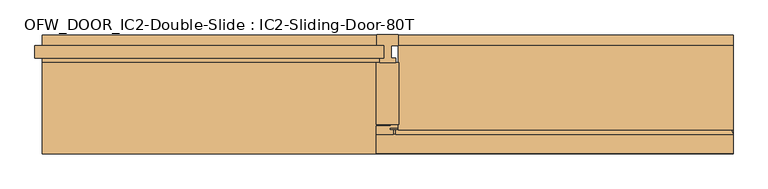
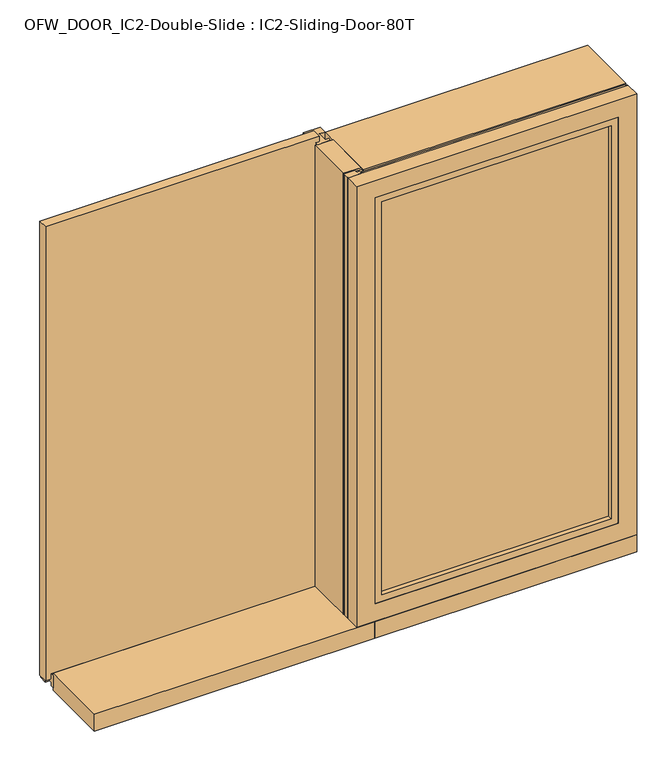
"""IFC4 building model written with IfcOpenShell, lengths in millimetres: door geometry, OFW_DOOR_IC2-Double-Slide : IC2-Sliding-Door-80T."""

from ifc_helpers import new_model, si_unit, point, frame, frame_2d, origin, origin_with_axes, place, context, project, spatial, polyline, circle_curve, trimmed, segment, composite_curve, outline, extrude, faceted_brep, source, transform, mapped, element, save


def ofw_door_ic2_double_slide_ic2_sliding_door_80t_7ecc353d(model_context):
    return source(origin(), model_context, "Body", "SolidModel", [
        faceted_brep([(38.0, 0.0, 2160.0), (13.0, 0.0, 2160.0), (13.0, 0.0, 27.0), (-1210.0, 0.0, 27.0), (-1210.0, 0.0, 2.0), (38.0, 0.0, 2.0), (13.0, -44.0, 2160.0), (13.0, -44.0, 27.0), (-1210.0, -44.0, 27.0), (-1210.0, -44.0, 12.0), (-1210.0, -59.0, 12.0), (-1210.0, -59.0, 68.0), (-1210.0, -44.0, 68.0), (-1210.0, -44.0, 53.0), (-1210.0, 0.0, 53.0), (-1210.0, 0.0, 78.0), (-1210.0, 38.0, 78.0), (-1210.0, 38.0, 2.0), (38.0, 38.0, 2.0), (38.0, 38.0, 2160.0), (-38.0, 38.0, 2160.0), (-38.0, 38.0, 78.0), (-38.0, 0.0, 78.0), (-38.0, 0.0, 2160.0), (-13.0, 0.0, 2160.0), (-13.0, 0.0, 53.0), (-13.0, -44.0, 53.0), (-13.0, -44.0, 2160.0), (-28.0, -44.0, 2160.0), (-28.0, -44.0, 68.0), (-28.0, -59.0, 68.0), (-28.0, -59.0, 2160.0), (28.0, -59.0, 2160.0), (28.0, -59.0, 12.0), (28.0, -44.0, 12.0), (28.0, -44.0, 2160.0)], [[[0, 1, 2, 3, 4, 5]], [[1, 6, 7, 2]], [[2, 7, 8, 3]], [[3, 8, 9, 10, 11, 12, 13, 14, 15, 16, 17, 4]], [[18, 5, 4, 17]], [[19, 0, 5, 18]], [[20, 19, 18, 17, 16, 21]], [[22, 21, 16, 15]], [[23, 20, 21, 22]], [[24, 23, 22, 15, 14, 25]], [[26, 25, 14, 13]], [[27, 24, 25, 26]], [[28, 27, 26, 13, 12, 29]], [[30, 29, 12, 11]], [[31, 28, 29, 30]], [[32, 31, 30, 11, 10, 33]], [[34, 33, 10, 9]], [[35, 32, 33, 34]], [[6, 35, 34, 9, 8, 7]], [[1, 0, 19, 20, 23, 24, 27, 28, 31, 32, 35, 6]]]),
        extrude(outline(polyline([(-13.0, -44.0), (-1235.0, -44.0), (-1235.0, 0.0), (-13.0, 0.0), (-13.0, -44.0)])), frame((0.0, 0.0, 43.0), z_axis=(0.0, 0.0, 1.0), x_axis=(1.0, 0.0, 0.0)), (0.0, 0.0, 1.0), 2142.0),
        extrude(outline(polyline([(40.0, -59.0), (40.0, -277.0), (-40.0, -277.0), (-40.0, -59.0), (40.0, -59.0)])), frame((0.0, 0.0, 80.0), z_axis=(0.0, 0.0, 1.0), x_axis=(1.0, 0.0, 0.0)), (0.0, 0.0, 1.0), 2080.0),
        extrude(outline(polyline([(1111.0, -311.0), (1111.0, -355.0), (59.0, -355.0), (59.0, -311.0), (1111.0, -311.0)])), frame((0.0, 0.0, 193.0), z_axis=(0.0, 0.0, 1.0), x_axis=(1.0, 0.0, 0.0)), (0.0, 0.0, 1.0), 1873.0),
        extrude(outline(polyline([(-294.9999931, 2120.0), (0.0, 2120.0), (0.0, 44.5415691), (-294.9999931, 66.2425671), (-294.9999931, 2120.0)])), frame((1190.0, 0.0, 0.0), z_axis=(1.0, 0.0, 0.0), x_axis=(0.0, 1.0, 0.0)), (0.0, 0.0, 1.0), 20.0),
        extrude(outline(polyline([(-295.0018977, 2120.0), (0.0, 2120.0), (0.0, 44.6613586), (-295.0018977, 65.954372), (-295.0018977, 2120.0)])), frame((40.0, 0.0, 0.0), z_axis=(1.0, 0.0, 0.0), x_axis=(0.0, 1.0, 0.0)), (0.0, 0.0, 1.0), 20.600008),
        extrude(outline(polyline([(1210.0, 0.0), (1210.0, -294.9999931), (38.0, -294.9999931), (38.0, 0.0), (1210.0, 0.0)])), frame((0.0, 0.0, 2120.0), z_axis=(0.0, 0.0, 1.0), x_axis=(1.0, 0.0, 0.0)), (0.0, 0.0, 1.0), 40.0),
        faceted_brep([(73.0, -294.9999931, 85.9356047), (73.0, -311.0, 80.1120784), (73.0, -311.0, 193.8827413), (73.0, -294.9999931, 188.0592151), (1209.8879216, -311.0, 80.1120784), (1204.0643953, -294.9999931, 85.9356047), (1204.0643953, -294.9999931, 2154.0643953), (1209.8879216, -311.0, 2159.8879216), (1101.9407849, -294.9999931, 188.0592151), (1096.1172587, -311.0, 193.8827413), (1096.1172587, -311.0, 2046.1172587), (1101.9407849, -294.9999931, 2051.9407849), (28.0, -294.9999931, 2154.0643953), (28.0, -294.9999931, 2051.9407849), (28.0, -311.0, 2046.1172587), (28.0, -311.0, 2159.8879216)], [[[0, 1, 2, 3]], [[4, 5, 6, 7]], [[8, 9, 10, 11]], [[12, 13, 14, 15]], [[7, 6, 12, 15]], [[11, 10, 14, 13]], [[1, 0, 5, 4]], [[2, 1, 4, 7, 15, 14, 10, 9]], [[3, 2, 9, 8]], [[0, 3, 8, 11, 13, 12, 6, 5]]]),
        extrude(outline(polyline([(19.9995212, -311.0), (19.9995212, -294.9999931), (73.0, -294.9999931), (73.0, -311.0), (19.9995212, -311.0)])), frame((0.0, 0.0, 47.0), z_axis=(0.0, 0.0, 1.0), x_axis=(1.0, 0.0, 0.0)), (0.0, 0.0, 1.0), 2004.9407849),
        extrude(outline(composite_curve([segment(polyline([(11.0, -281.0), (11.0, -277.0), (40.0, -277.0), (40.0, -286.3250393)]), True, "CONTINUOUS"), segment(trimmed(circle_curve(frame_2d((36.825, -286.3250393)), 3.175), [point((40.0, -286.3250393))], [point((36.825, -289.5000393))], False, "CARTESIAN"), True, "CONTINUOUS"), segment(polyline([(36.825, -289.5000393), (8.4992, -289.5000393), (8.4992, -295.0018977), (19.9995212, -295.0018977), (19.9995212, -311.0), (-36.825, -311.0)]), True, "CONTINUOUS"), segment(trimmed(circle_curve(frame_2d((-36.825, -307.825)), 3.175), [point((-36.825, -311.0))], [point((-40.0, -307.825))], False, "CARTESIAN"), True, "CONTINUOUS"), segment(polyline([(-40.0, -307.825), (-40.0, -284.175)]), True, "CONTINUOUS"), segment(trimmed(circle_curve(frame_2d((-36.825, -284.175)), 3.175), [point((-40.0, -284.175))], [point((-36.825, -281.0))], False, "CARTESIAN"), True, "CONTINUOUS"), segment(polyline([(-36.825, -281.0), (11.0, -281.0)]), True, "CONTINUOUS")], self_intersect=False)), frame((0.0, 0.0, 47.0), z_axis=(0.0, 0.0, 1.0), x_axis=(1.0, 0.0, 0.0)), (0.0, 0.0, 1.0), 2113.0),
        extrude(outline(polyline([(-1210.0, -59.0), (40.0, -59.0), (40.0, -379.0), (-1210.0, -379.0), (-1210.0, -59.0)])), origin_with_axes(), (0.0, 0.0, 1.0), 80.0),
        extrude(outline(polyline([(34.6270404, 0.0), (34.6270404, 40.0), (-336.0, 67.0), (-336.0, 70.00795), (38.0, 42.7622316), (38.0, 0.0), (34.6270404, 0.0)])), frame((40.0, 0.0, 0.0), z_axis=(1.0, 0.0, 0.0), x_axis=(0.0, 1.0, 0.0)), (0.0, 0.0, 1.0), 1170.0),
        extrude(outline(polyline([(-379.0, 0.0), (-379.0, 80.0), (-336.0, 80.0), (-336.0, 67.0), (34.6270404, 40.0), (34.6270404, 0.0), (-379.0, 0.0)])), frame((40.0, 0.0, 0.0), z_axis=(1.0, 0.0, 0.0), x_axis=(0.0, 1.0, 0.0)), (0.0, 0.0, 1.0), 1170.0),
        faceted_brep([(-40.0, -379.0, 2160.0), (-40.0, -311.0, 2160.0), (-40.0, -311.0, 80.0), (-40.0, -379.0, 80.0), (42.0, -376.0, 2078.0), (42.0, -379.0, 2078.0), (42.0, -379.0, 162.0), (42.0, -376.0, 162.0), (73.0, -338.0, 2047.0), (73.0, -376.0, 2047.0), (73.0, -376.0, 193.0), (73.0, -338.0, 193.0), (54.0, -311.0, 2066.0), (54.0, -338.0, 2066.0), (54.0, -338.0, 174.0), (54.0, -311.0, 174.0), (1210.0, -311.0, 80.0), (1210.0, -379.0, 80.0), (1128.0, -379.0, 162.0), (1128.0, -376.0, 162.0), (1097.0, -376.0, 193.0), (1097.0, -338.0, 193.0), (1116.0, -338.0, 174.0), (1116.0, -311.0, 174.0), (1210.0, -311.0, 2160.0), (1210.0, -379.0, 2160.0), (1128.0, -379.0, 2078.0), (1128.0, -376.0, 2078.0), (1097.0, -376.0, 2047.0), (1097.0, -338.0, 2047.0), (1116.0, -338.0, 2066.0), (1116.0, -311.0, 2066.0)], [[[0, 1, 2, 3]], [[4, 5, 6, 7]], [[8, 9, 10, 11]], [[12, 13, 14, 15]], [[3, 2, 16, 17]], [[7, 6, 18, 19]], [[11, 10, 20, 21]], [[15, 14, 22, 23]], [[17, 16, 24, 25]], [[19, 18, 26, 27]], [[21, 20, 28, 29]], [[23, 22, 30, 31]], [[25, 24, 1, 0]], [[3, 17, 25, 0], [5, 26, 18, 6]], [[27, 26, 5, 4]], [[7, 19, 27, 4], [9, 28, 20, 10]], [[29, 28, 9, 8]], [[13, 30, 22, 14], [11, 21, 29, 8]], [[31, 30, 13, 12]], [[1, 24, 16, 2], [15, 23, 31, 12]]]),
    ])


if __name__ == "__main__":
    model = new_model("IFC4")
    model_context = context("Model", 3, world=origin())
    ifc_project = project(units=[si_unit("LENGTHUNIT", "METRE", prefix="MILLI")], contexts=[model_context])
    site = spatial("IfcSite", under=ifc_project)
    building = spatial("IfcBuilding", under=site)
    placement = place(None, origin())
    ofw_door_ic2_double_slide_ic2_sliding_door_80t_shape = ofw_door_ic2_double_slide_ic2_sliding_door_80t_7ecc353d(model_context)
    element("IfcDoor", 1, ObjectType="OFW_DOOR_IC2-Double-Slide : IC2-Sliding-Door-80T", at=placement, inside=building, context=model_context, shape_type="MappedRepresentation", body=[
        mapped(ofw_door_ic2_double_slide_ic2_sliding_door_80t_shape, transform((0.0, 0.0, 0.0), x_axis=(1.0, 0.0, 0.0), y_axis=(0.0, 1.0, 0.0), z_axis=(0.0, 0.0, 1.0))),
    ])
    save(model, "model.ifc")
